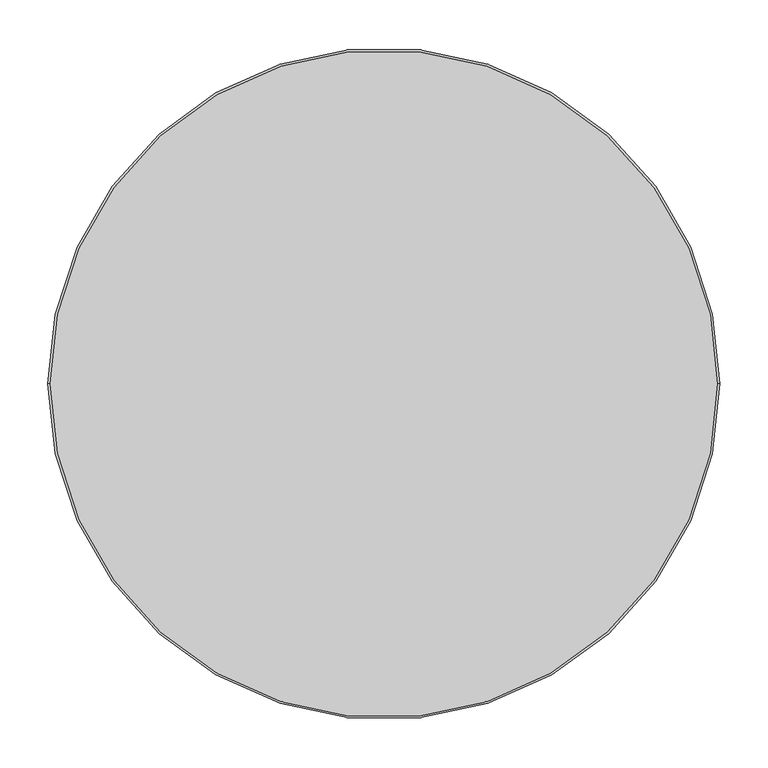
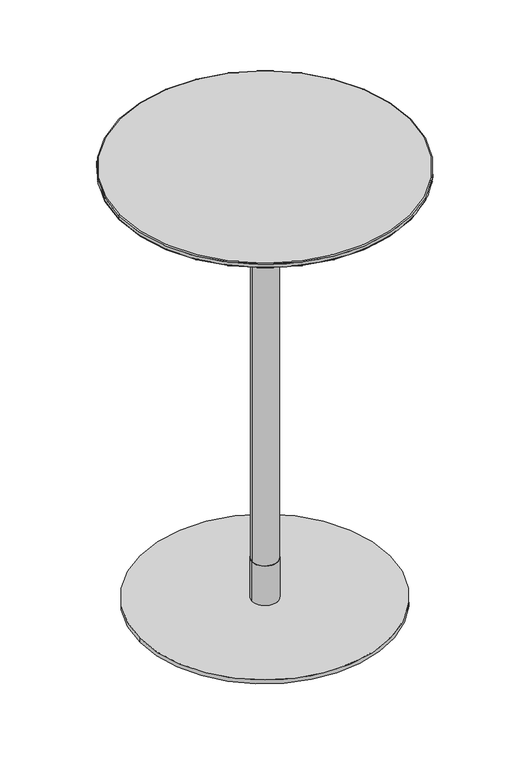
"""IFC4 building model written with IfcOpenShell, lengths in millimetres: furniture geometry."""

from ifc_helpers import new_model, si_unit, point, frame, origin, origin_with_axes, origin_2d, place, context, project, spatial, polyline, circle_curve, ellipse_curve, trimmed, segment, composite_curve, outline, extrude, source, transform, mapped, element, save
from ifc_brep_helpers import plane_surface, cylinder_surface, revolved_surface, advanced_brep


def furniture_6655e56b(model_context):
    return source(origin(), model_context, "Body", "SolidModel", [
        advanced_brep(
        [(348.6840403, 0.0, 1088.2400004), (350.0, 0.0, 1090.1193857), (-350.0, 0.0, 1090.1193857), (-348.6840403, 0.0, 1088.2400004), (350.0, 0.0, 1098.0), (348.0, 0.0, 1100.0), (-348.0, 0.0, 1100.0), (-350.0, 0.0, 1098.0)],
        [
            (0, 1, circle_curve(frame((348.0, 0.0, 1090.1193857), z_axis=(0.0, -1.0, 0.0), x_axis=(-1.0, 0.0, 0.0)), 2.0)),
            (1, 2, circle_curve(frame((0.0, 0.0, 1090.1193857), z_axis=(0.0, 0.0, -1.0), x_axis=(-1.0, 0.0, 0.0)), 350.0)),
            (2, 3, circle_curve(frame((-348.0, 0.0, 1090.1193857), z_axis=(0.0, -1.0, 0.0), x_axis=(1.0, 0.0, 0.0)), 2.0)),
            (3, 0, circle_curve(frame((0.0, 0.0, 1088.2400004), z_axis=(0.0, 0.0, 1.0), x_axis=(-1.0, 0.0, 0.0)), 348.6840403)),
            (4, 5, circle_curve(frame((348.0, 0.0, 1098.0), z_axis=(0.0, -1.0, 0.0), x_axis=(-1.0, 0.0, 0.0)), 2.0)),
            (5, 6, circle_curve(frame((0.0, 0.0, 1100.0), z_axis=(0.0, 0.0, -1.0), x_axis=(-1.0, 0.0, 0.0)), 348.0)),
            (6, 7, circle_curve(frame((-348.0, 0.0, 1098.0), z_axis=(0.0, -1.0, 0.0), x_axis=(1.0, 0.0, 0.0)), 2.0)),
            (7, 4, circle_curve(frame((0.0, 0.0, 1098.0), z_axis=(0.0, 0.0, 1.0), x_axis=(-1.0, 0.0, 0.0)), 350.0)),
            (0, 3, circle_curve(frame((0.0, 0.0, 1088.2400004), z_axis=(0.0, 0.0, 1.0), x_axis=(1.0, 0.0, 0.0)), 348.6840403)),
            (2, 1, circle_curve(frame((0.0, 0.0, 1090.1193857), z_axis=(0.0, 0.0, -1.0), x_axis=(1.0, 0.0, 0.0)), 350.0)),
            (4, 7, circle_curve(frame((0.0, 0.0, 1098.0), z_axis=(0.0, 0.0, 1.0), x_axis=(1.0, 0.0, 0.0)), 350.0)),
            (6, 5, circle_curve(frame((0.0, 0.0, 1100.0), z_axis=(0.0, 0.0, -1.0), x_axis=(1.0, 0.0, 0.0)), 348.0)),
            (7, 2),
            (1, 4),
        ],
        [
            revolved_surface(trimmed(ellipse_curve(frame((-348.0, 0.0, 1090.1193857), z_axis=(0.0, 1.0, 0.0), x_axis=(1.0, 0.0, 0.0)), 2.0, 2.0), [point((-348.6840403, 0.0, 1088.2400004))], [point((-350.0, 0.0, 1090.1193857))], True, "CARTESIAN"), (0.0, 0.0, 0.0), (0.0, 0.0, 1.0)),
            revolved_surface(trimmed(ellipse_curve(frame((-348.0, 0.0, 1098.0), z_axis=(0.0, 1.0, 0.0), x_axis=(1.0, 0.0, 0.0)), 2.0, 2.0), [point((-350.0, 0.0, 1098.0))], [point((-348.0, 0.0, 1100.0))], True, "CARTESIAN"), (0.0, 0.0, 0.0), (0.0, 0.0, 1.0)),
            revolved_surface(trimmed(ellipse_curve(frame((348.0, 0.0, 1090.1193857), z_axis=(0.0, -1.0, 0.0), x_axis=(-1.0, 0.0, 0.0)), 2.0, 2.0), [point((348.6840403, 0.0, 1088.2400004))], [point((350.0, 0.0, 1090.1193857))], True, "CARTESIAN"), (0.0, 0.0, 0.0), (0.0, 0.0, 1.0)),
            revolved_surface(trimmed(ellipse_curve(frame((348.0, 0.0, 1098.0), z_axis=(0.0, -1.0, 0.0), x_axis=(-1.0, 0.0, 0.0)), 2.0, 2.0), [point((350.0, 0.0, 1098.0))], [point((348.0, 0.0, 1100.0))], True, "CARTESIAN"), (0.0, 0.0, 0.0), (0.0, 0.0, 1.0)),
            plane_surface(frame((350.0, 0.0, 1100.0), z_axis=(0.0, 0.0, 1.0), x_axis=(0.0, 1.0, 0.0))),
            plane_surface(frame((350.0, 0.0, 1088.2400004), z_axis=(0.0, 0.0, -1.0), x_axis=(0.0, -1.0, 0.0))),
            cylinder_surface(frame((0.0, 0.0, 1088.2400004), z_axis=(0.0, 0.0, 1.0), x_axis=(1.0, 0.0, 0.0)), 350.0),
        ],
        [
            (0, [[1, 2, 3, 4]]),
            (1, [[5, 6, 7, 8]]),
            (2, [[-1, 9, -3, 10]]),
            (3, [[-5, 11, -7, 12]]),
            (4, [[-6, -12]]),
            (5, [[-4, -9]]),
            (6, [[13, -2, 14, -8]]),
            (6, [[-13, -11, -14, -10]]),
        ],
    ),
        advanced_brep(
        [(-348.6840403, 0.0, 1088.2400004), (348.6840403, 0.0, 1088.2400004), (-300.0, 0.0, 1077.7932619), (300.0, 0.0, 1077.7932619)],
        [
            (0, 1, circle_curve(frame((0.0, 0.0, 1088.2400004), z_axis=(0.0, 0.0, 1.0), x_axis=(-1.0, 0.0, 0.0)), 348.6840403)),
            (1, 0, circle_curve(frame((0.0, 0.0, 1088.2400004), z_axis=(0.0, 0.0, 1.0), x_axis=(1.0, 0.0, 0.0)), 348.6840403)),
            (2, 3, circle_curve(frame((0.0, 0.0, 1077.7932619), z_axis=(0.0, 0.0, -1.0), x_axis=(1.0, 0.0, 0.0)), 300.0)),
            (3, 2, circle_curve(frame((0.0, 0.0, 1077.7932619), z_axis=(0.0, 0.0, -1.0), x_axis=(-1.0, 0.0, 0.0)), 300.0)),
            (3, 1),
            (0, 2),
        ],
        [
            plane_surface(frame((0.0, 0.0, 1088.2400004), z_axis=(0.0, 0.0, 1.0), x_axis=(0.0, -1.0, 0.0))),
            plane_surface(frame((0.0, 0.0, 1077.7932619), z_axis=(0.0, 0.0, -1.0), x_axis=(0.0, -1.0, 0.0))),
            revolved_surface(polyline([(299.99999987537893, 0.0, 1077.7932619), (348.6840403, 0.0, 1088.2400004)]), (0.0, 0.0, 1013.4185403), (0.0, 0.0, 1.0)),
            revolved_surface(polyline([(-299.99999987537893, 0.0, 1077.7932619), (-348.6840403, 0.0, 1088.2400004)]), (0.0, 0.0, 1013.4185403), (0.0, 0.0, 1.0)),
        ],
        [
            (0, [[1, 2]]),
            (1, [[3, 4]]),
            (2, [[-4, 5, -1, 6]]),
            (3, [[-3, -6, -2, -5]]),
        ],
    ),
        extrude(outline(polyline([(175.0000945, 174.9403258), (175.0000945, -175.0598632), (-175.0000945, -175.0598632), (-175.0000945, 174.9403258), (175.0000945, 174.9403258)])), frame((0.0, 0.0, 1072.7932592), z_axis=(0.0, 0.0, 1.0), x_axis=(1.0, 0.0, 0.0)), (0.0, 0.0, 1.0), 5.0000027),
        extrude(outline(composite_curve([segment(trimmed(circle_curve(origin_2d(), 31.0), [point((-31.0, 0.0))], [point((31.0, 0.0))], False, "CARTESIAN"), True, "CONTINUOUS"), segment(trimmed(circle_curve(origin_2d(), 31.0), [point((31.0, 0.0))], [point((-31.0, 0.0))], False, "CARTESIAN"), True, "CONTINUOUS")], self_intersect=False)), frame((0.0, 0.0, 972.7932663), z_axis=(0.0, 0.0, 1.0), x_axis=(1.0, 0.0, 0.0)), (0.0, 0.0, 1.0), 99.999993),
        extrude(outline(composite_curve([segment(trimmed(circle_curve(origin_2d(), 30.0), [point((-30.0, 0.0))], [point((30.0, 0.0))], False, "CARTESIAN"), True, "CONTINUOUS"), segment(trimmed(circle_curve(origin_2d(), 30.0), [point((30.0, 0.0))], [point((-30.0, 0.0))], False, "CARTESIAN"), True, "CONTINUOUS")], self_intersect=False)), frame((0.0, 0.0, 110.0016526), z_axis=(0.0, 0.0, 1.0), x_axis=(1.0, 0.0, 0.0)), (0.0, 0.0, 1.0), 862.7916137),
        extrude(outline(composite_curve([segment(trimmed(circle_curve(origin_2d(), 31.0), [point((-31.0, 0.0))], [point((31.0, 0.0))], False, "CARTESIAN"), True, "CONTINUOUS"), segment(trimmed(circle_curve(origin_2d(), 31.0), [point((31.0, 0.0))], [point((-31.0, 0.0))], False, "CARTESIAN"), True, "CONTINUOUS")], self_intersect=False)), frame((0.0, 0.0, 10.0000044), z_axis=(0.0, 0.0, 1.0), x_axis=(1.0, 0.0, 0.0)), (0.0, 0.0, 1.0), 100.0016481),
        extrude(outline(composite_curve([segment(trimmed(circle_curve(origin_2d(), 300.0), [point((-300.0, 0.0))], [point((300.0, 0.0))], False, "CARTESIAN"), True, "CONTINUOUS"), segment(trimmed(circle_curve(origin_2d(), 300.0), [point((300.0, 0.0))], [point((-300.0, 0.0))], False, "CARTESIAN"), True, "CONTINUOUS")], self_intersect=False)), origin_with_axes(), (0.0, 0.0, 1.0), 10.0000044),
    ])


if __name__ == "__main__":
    model = new_model("IFC4")
    model_context = context("Model", 3, world=origin())
    ifc_project = project(units=[si_unit("LENGTHUNIT", "METRE", prefix="MILLI")], contexts=[model_context])
    site = spatial("IfcSite", under=ifc_project)
    building = spatial("IfcBuilding", under=site)
    placement = place(None, origin())
    furniture_shape = furniture_6655e56b(model_context)
    element("IfcFurniture", 1, at=placement, inside=building, context=model_context, shape_type="MappedRepresentation", body=[
        mapped(furniture_shape, transform((0.0, 0.0, 0.0), x_axis=(1.0, 0.0, 0.0), y_axis=(0.0, 1.0, 0.0), z_axis=(0.0, 0.0, 1.0))),
    ])
    save(model, "model.ifc")
